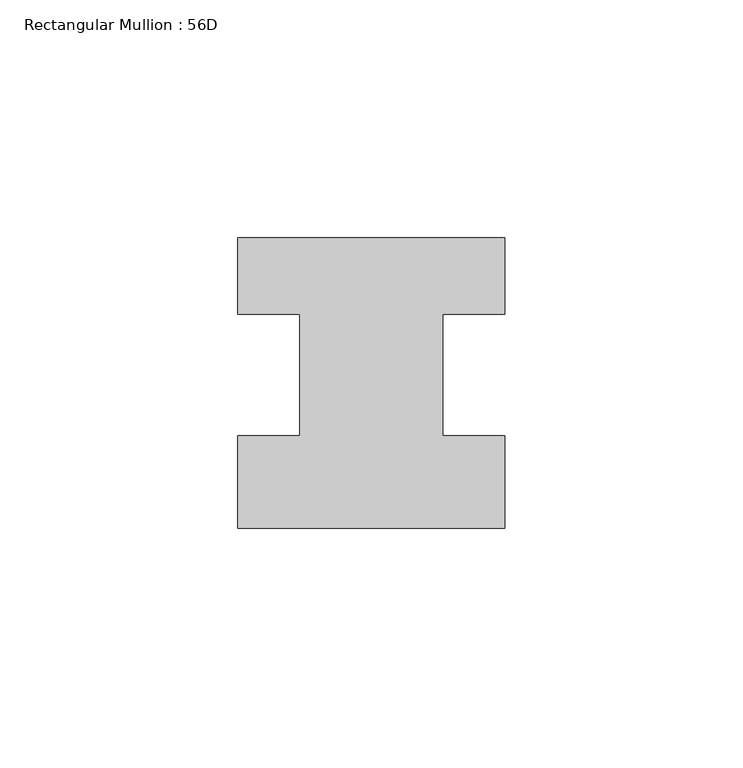
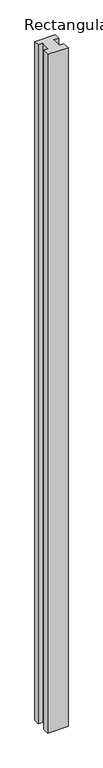
"""IFC4 building model written with IfcOpenShell, lengths in millimetres: member geometry, Rectangular Mullion : 56D."""

from ifc_helpers import new_model, si_unit, frame, origin, place, context, project, spatial, polyline, outline, extrude, source, transform, mapped, element, save


def rectangular_mullion_56d_0499e245(model_context):
    return source(origin(), model_context, "Body", "SweptSolid", [
        extrude(outline(polyline([(28.0, -20.0), (-28.0, -20.0), (-28.0, -0.5), (-15.0, -0.5), (-15.0, 25.0), (-28.0, 25.0), (-28.0, 41.0), (28.0, 41.0), (28.0, 25.0), (15.0, 25.0), (15.0, -0.5), (28.0, -0.5), (28.0, -20.0)])), frame((0.0, 0.0, -1975.0), z_axis=(0.0, 0.0, 1.0), x_axis=(1.0, 0.0, 0.0)), (0.0, 0.0, 1.0), 1975.0),
    ])


if __name__ == "__main__":
    model = new_model("IFC4")
    model_context = context("Model", 3, world=origin())
    ifc_project = project(units=[si_unit("LENGTHUNIT", "METRE", prefix="MILLI")], contexts=[model_context])
    site = spatial("IfcSite", under=ifc_project)
    building = spatial("IfcBuilding", under=site)
    placement = place(None, origin())
    rectangular_mullion_56d_shape = rectangular_mullion_56d_0499e245(model_context)
    element("IfcMember", 1, ObjectType="Rectangular Mullion : 56D", at=placement, inside=building, context=model_context, shape_type="MappedRepresentation", body=[
        mapped(rectangular_mullion_56d_shape, transform((0.0, 0.0, 0.0), x_axis=(1.0, 0.0, 0.0), y_axis=(0.0, 1.0, 0.0), z_axis=(0.0, 0.0, 1.0))),
    ])
    save(model, "model.ifc")
